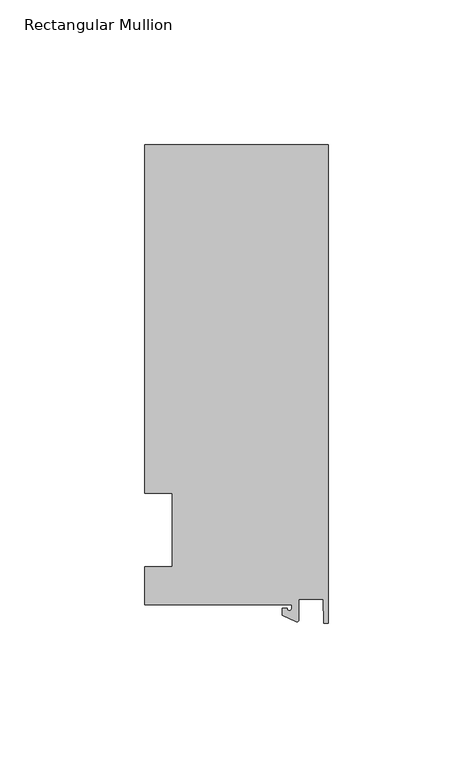
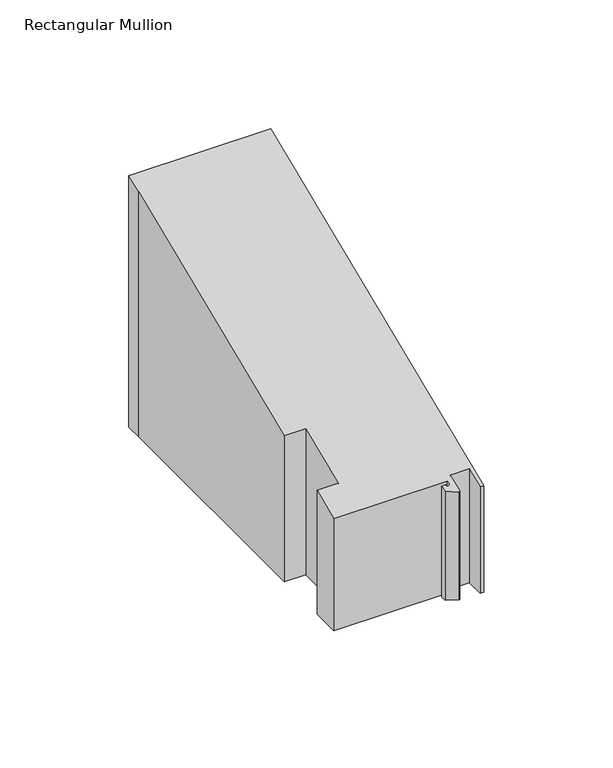
"""IFC4 building model written with IfcOpenShell, lengths in millimetres: member geometry, Rectangular Mullion."""

import ifcopenshell
import ifcopenshell.guid

model = None  # the IFC model being written
_history = None  # IfcOwnerHistory: only IFC2X3 demands one
_inside = {}  # id of a spatial element -> (the spatial element, [elements in it])
_under = {}  # id of a project, library or spatial element -> (it, [spatial elements below it])
_declared = {}  # id of a project -> (the project, [libraries it declares])
_typed = {}  # id of a type object -> (the type object, [elements of that type])
_made_of = {}  # id of a material, layer set ... -> (it, [elements and type objects made of it])


def new_model(schema):
    """Start an empty IFC model of exactly this schema.

    Asked for "IFC4X3", IfcOpenShell would pick the latest addendum, in which some entities
    have other attributes; the version numbers below select the first issue.
    IFC2X3 requires an IfcOwnerHistory on every rooted entity: one is made here for all.
    """
    global model, _history
    if schema == "IFC4X3":
        model = ifcopenshell.file(schema_version=(4, 3, 0, 0))
    else:
        model = ifcopenshell.file(schema=schema)
    _inside.clear()
    _under.clear()
    _declared.clear()
    _typed.clear()
    _made_of.clear()
    _history = None
    if model.schema == "IFC2X3":
        org = make("IfcOrganization", Name="unknown")
        user = make(
            "IfcPersonAndOrganization",
            ThePerson=make("IfcPerson", FamilyName="unknown"),
            TheOrganization=org,
        )
        app = make(
            "IfcApplication",
            ApplicationDeveloper=org,
            Version="unknown",
            ApplicationFullName="unknown",
            ApplicationIdentifier="unknown",
        )
        _history = make(
            "IfcOwnerHistory",
            OwningUser=user,
            OwningApplication=app,
            ChangeAction="ADDED",
            CreationDate=0,
        )
    return model


def make(cls, **values):
    """One entity of the class cls with the attributes given. An attribute that is None is left unset."""
    return model.create_entity(
        cls, **{name: value for name, value in values.items() if value is not None}
    )


def rooted(cls, **values):
    """An entity with a GlobalId (a new one), such as an element, a storey or a relation."""
    return make(cls, GlobalId=ifcopenshell.guid.new(), OwnerHistory=_history, **values)


def si_unit(unit_type, name, prefix=None):
    """IfcSIUnit, for example si_unit("LENGTHUNIT", "METRE", prefix="MILLI")."""
    return make("IfcSIUnit", UnitType=unit_type, Prefix=prefix, Name=name)


def assignment(units):
    """IfcUnitAssignment: the units of a project."""
    return None if units is None else make("IfcUnitAssignment", Units=units)


def point(xyz):
    """IfcCartesianPoint."""
    return None if xyz is None else make("IfcCartesianPoint", Coordinates=xyz)


def direction(xyz):
    """IfcDirection."""
    return None if xyz is None else make("IfcDirection", DirectionRatios=xyz)


def frame(location, z_axis=None, x_axis=None):
    """IfcAxis2Placement3D, a coordinate frame: its origin and axes. An axis left out is left unset."""
    return make(
        "IfcAxis2Placement3D",
        Location=point(location),
        Axis=direction(z_axis),
        RefDirection=direction(x_axis),
    )


def origin():
    """The frame at (0, 0, 0) with its axes left unset."""
    return frame((0.0, 0.0, 0.0))


def place(relative_to, where):
    """IfcLocalPlacement: puts the frame where relative to a parent placement (None: the world)."""
    return make(
        "IfcLocalPlacement", PlacementRelTo=relative_to, RelativePlacement=where
    )


def context(
    kind, dimensions, precision=None, world=None, true_north=None, identifier=None
):
    """IfcGeometricRepresentationContext, for example the 3D "Model" context."""
    return make(
        "IfcGeometricRepresentationContext",
        ContextIdentifier=identifier,
        ContextType=kind,
        CoordinateSpaceDimension=dimensions,
        Precision=precision,
        WorldCoordinateSystem=world,
        TrueNorth=true_north,
    )


def project(units=None, contexts=None):
    """IfcProject with its units and contexts."""
    return rooted(
        "IfcProject",
        Name="project",
        RepresentationContexts=contexts,
        UnitsInContext=assignment(units),
    )


def spatial(cls, under=None, at=None, **own):
    """A site, building, storey or space (cls), placed at a placement, below another one or the project."""
    s = rooted(cls, ObjectPlacement=at, **own)
    if under is not None:
        _under.setdefault(under.id(), (under, []))[1].append(s)
    return s


def polyline(points):
    """IfcPolyline through the points."""
    return make("IfcPolyline", Points=[point(p) for p in points])


def circle_curve(where, radius):
    """IfcCircle in the frame where."""
    return make("IfcCircle", Position=where, Radius=radius)


def ellipse_curve(where, semi_axis1, semi_axis2):
    """IfcEllipse in the frame where."""
    return make(
        "IfcEllipse", Position=where, SemiAxis1=semi_axis1, SemiAxis2=semi_axis2
    )


def shape(context_of_items, identifier, shape_type, items):
    """IfcShapeRepresentation: the items that make up one representation, for example the "Body"."""
    return make(
        "IfcShapeRepresentation",
        ContextOfItems=context_of_items,
        RepresentationIdentifier=identifier,
        RepresentationType=shape_type,
        Items=items,
    )


def source(mapping_origin, context_of_items, identifier, shape_type, items):
    """IfcRepresentationMap: a shape defined once, which mapped items show again and again."""
    return make(
        "IfcRepresentationMap",
        MappingOrigin=mapping_origin,
        MappedRepresentation=shape(context_of_items, identifier, shape_type, items),
    )


def transform(
    local_origin,
    x_axis=None,
    y_axis=None,
    z_axis=None,
    scale=None,
    scale2=None,
    scale3=None,
    uniform=True,
):
    """IfcCartesianTransformationOperator3D, or its non-uniform kind. x_axis, y_axis, z_axis: its Axis1, 2, 3."""
    if uniform:
        return make(
            "IfcCartesianTransformationOperator3D",
            Axis1=direction(x_axis),
            Axis2=direction(y_axis),
            LocalOrigin=point(local_origin),
            Scale=scale,
            Axis3=direction(z_axis),
        )
    return make(
        "IfcCartesianTransformationOperator3DnonUniform",
        Axis1=direction(x_axis),
        Axis2=direction(y_axis),
        LocalOrigin=point(local_origin),
        Scale=scale,
        Axis3=direction(z_axis),
        Scale2=scale2,
        Scale3=scale3,
    )


def mapped(mapping_source, mapping_target):
    """IfcMappedItem: shows the shape of a source again, moved by a transform."""
    return make(
        "IfcMappedItem", MappingSource=mapping_source, MappingTarget=mapping_target
    )


def made_of(thing, what):
    """Note that an element or type object is made of a material, layer set ...; save() writes the relation."""
    if what is not None:
        _made_of.setdefault(what.id(), (what, []))[1].append(thing)
    return thing


def element(
    cls,
    number,
    at=None,
    inside=None,
    cuts=None,
    type_object=None,
    material=None,
    context=None,
    identifier="Body",
    shape_type=None,
    held_by="IfcProductDefinitionShape",
    body=None,
    shapes=None,
    **own,
):
    """One element of the class cls, such as IfcWall. Its Tag is "e" and its number.

    at: its placement. inside: the storey or other place that contains it. cuts: it is an
    opening in that element (IfcRelVoidsElement). A single representation is given by context,
    identifier, shape_type and body (its items); several are given by shapes. held_by: the class
    of the entity that holds the representations. save() writes the other relations.
    """
    e = rooted(cls, Tag="e%d" % number, ObjectPlacement=at, **own)
    if body is not None:
        shapes = [shape(context, identifier, shape_type, body)]
    if shapes is not None:
        e.Representation = make(held_by, Representations=shapes)
    if inside is not None:
        _inside.setdefault(inside.id(), (inside, []))[1].append(e)
    if cuts is not None:
        rooted(
            "IfcRelVoidsElement", RelatingBuildingElement=cuts, RelatedOpeningElement=e
        )
    if type_object is not None:
        _typed.setdefault(type_object.id(), (type_object, []))[1].append(e)
    return made_of(e, material)


def aggregate(whole, parts):
    """IfcRelAggregates: a whole, such as a stair, and the parts it consists of."""
    return rooted("IfcRelAggregates", RelatingObject=whole, RelatedObjects=parts)


def save(model, path):
    """Write the relations noted so far, then the file.

    IfcRelAggregates (storeys below a building ...), IfcRelContainedInSpatialStructure (elements
    in a storey), IfcRelDefinesByType, IfcRelAssociatesMaterial and IfcRelDeclares: one each for
    every whole, place, type object, material and project.
    """
    for whole, parts in _under.values():
        aggregate(whole, parts)
    for where, things in _inside.values():
        rooted(
            "IfcRelContainedInSpatialStructure",
            RelatedElements=things,
            RelatingStructure=where,
        )
    for kind, things in _typed.values():
        rooted("IfcRelDefinesByType", RelatedObjects=things, RelatingType=kind)
    for what, things in _made_of.values():
        rooted("IfcRelAssociatesMaterial", RelatedObjects=things, RelatingMaterial=what)
    for by, libraries in _declared.values():
        rooted("IfcRelDeclares", RelatingContext=by, RelatedDefinitions=libraries)
    model.write(path)


def plane_surface(at):
    """IfcPlane: the flat surface through the origin of the frame at, square to its z axis."""
    return make("IfcPlane", Position=at)


def cylinder_surface(at, radius):
    """IfcCylindricalSurface: all points at the distance radius from the z axis of the frame at."""
    return make("IfcCylindricalSurface", Position=at, Radius=radius)


def revolved_surface(curve, axis_point, axis_direction):
    """IfcSurfaceOfRevolution: the curve turned about the line through axis_point along axis_direction."""
    return make(
        "IfcSurfaceOfRevolution",
        SweptCurve=make("IfcArbitraryOpenProfileDef", ProfileType="CURVE", Curve=curve),
        AxisPosition=make("IfcAxis1Placement", Location=point(axis_point), Axis=direction(axis_direction)),
    )


def advanced_brep(points, edges, surfaces, faces):
    """IfcAdvancedBrep: a solid bounded by faces that lie on surfaces and meet in shared edges.

    An edge is (start, end): straight between two places in points (the first is 0);
    or (start, end, curve); or (start, end, curve, False) where it runs against its curve.
    A face is (place in surfaces, loops), or (place, loops, False) where it looks against
    its surface's normal. A loop lists edges by number (the first is 1), with a minus sign
    where the edge is run from its end to its start. The first loop is the outer one.
    """
    corners = [point(p) for p in points]
    vertices = [make("IfcVertexPoint", VertexGeometry=c) for c in corners]
    made = []
    for start, end, *more in edges:
        made.append(
            make(
                "IfcEdgeCurve",
                EdgeStart=vertices[start],
                EdgeEnd=vertices[end],
                EdgeGeometry=more[0] if more else make("IfcPolyline", Points=[corners[start], corners[end]]),
                SameSense=more[1] if len(more) > 1 else True,
            )
        )
    hull = []
    for where, loops, *sense in faces:
        bounds = []
        for j, loop in enumerate(loops):
            ring = [make("IfcOrientedEdge", EdgeElement=made[abs(k) - 1], Orientation=k > 0) for k in loop]
            bounds.append(
                make(
                    "IfcFaceOuterBound" if j == 0 else "IfcFaceBound",
                    Bound=make("IfcEdgeLoop", EdgeList=ring),
                    Orientation=True,
                )
            )
        hull.append(make("IfcAdvancedFace", Bounds=bounds, FaceSurface=surfaces[where], SameSense=sense[0] if sense else True))
    return make("IfcAdvancedBrep", Outer=make("IfcClosedShell", CfsFaces=hull))


def rectangular_mullion_aa9a93bd(model_context):
    return source(origin(), model_context, "Body", "AdvancedBrep", [
        advanced_brep(
        [(-12.6173814, -25.796875, -63.8608936), (-63.5, -25.796875, -63.8608936), (-63.5, -12.7, -63.8608936), (-53.975, -12.7, -63.8608936), (-53.975, 12.7, -63.8608936), (-63.5, 12.7, -63.8608936), (-63.5, 125.8114907, -63.8608936), (-63.5, 133.34365, -63.8608936), (0.0, 133.34365, -63.8608936), (0.0, -32.288874, -63.8608936), (-1.5658966, -32.288874, -63.8608936), (-1.7144124, -23.9227662, -63.8608936), (-10.2297814, -23.9227662, -63.8608936), (-10.2297814, -31.2414327, -63.8608936), (-10.9524715, -31.7018371, -63.8608936), (-15.7923814, -29.44495, -63.8608936), (-15.7923814, -27.0827507, -63.8608936), (-14.2048814, -27.0827507, -63.8608936), (-12.6173814, -27.0827507, -63.8608936), (-12.6173814, -27.0827507, -11.2180426), (-12.6173814, -25.796875, -10.6854155), (-14.2048814, -27.0827507, -11.2180426), (-15.7923814, -27.0827507, -11.2180426), (-15.7923814, -29.44495, -12.1964976), (-10.9524715, -31.7018371, -13.1313309), (-10.2297814, -31.2414327, -12.9406251), (-10.2297814, -23.9227662, -9.9091342), (-1.7144124, -23.9227662, -9.9091342), (-1.5658966, -32.288874, -13.3744895), (0.0, -32.288874, -13.3744895), (0.0, 133.34365, 55.2327483), (-63.5, 133.34365, 55.2327483), (-63.5, 12.7, 5.2605122), (-63.5, 125.8114907, 52.1128257), (-53.975, 12.7, 5.2605122), (-53.975, -12.7, -5.2605122), (-63.5, -12.7, -5.2605122), (-63.5, -25.796875, -10.6854155)],
        [
            (0, 1),
            (1, 2),
            (2, 3),
            (3, 4),
            (4, 5),
            (5, 6),
            (6, 7),
            (7, 8),
            (8, 9),
            (9, 10),
            (10, 11),
            (11, 12),
            (12, 13),
            (13, 14, circle_curve(frame((-10.7377814, -31.2414327, -63.8608936), z_axis=(0.0, 0.0, -1.0), x_axis=(-1.0, 0.0, 0.0)), 0.508)),
            (14, 15),
            (15, 16),
            (16, 17),
            (17, 18, circle_curve(frame((-13.4111314, -27.0827507, -63.8608936), z_axis=(0.0, 0.0, 1.0), x_axis=(-1.0, 0.0, 0.0)), 0.79375)),
            (18, 0),
            (19, 20),
            (20, 0),
            (18, 19),
            (21, 19, ellipse_curve(frame((-13.4111314, -27.0827507, -11.2180426), z_axis=(0.0, -0.3826834323650925, 0.9238795325112856), x_axis=(0.0, -0.9238795325112857, -0.38268343236509245)), 0.8591488, 0.79375)),
            (17, 21),
            (22, 21),
            (16, 22),
            (23, 22),
            (15, 23),
            (24, 23),
            (14, 24),
            (25, 24, ellipse_curve(frame((-10.7377814, -31.2414327, -12.9406251), z_axis=(0.0, 0.3826834323650925, -0.9238795325112856), x_axis=(0.0, 0.9238795325112857, 0.38268343236509245)), 0.5498552, 0.508)),
            (13, 25),
            (26, 25),
            (12, 26),
            (27, 26),
            (11, 27),
            (28, 27),
            (10, 28),
            (29, 28),
            (9, 29),
            (30, 29),
            (8, 30),
            (31, 30),
            (7, 31),
            (32, 33),
            (33, 6),
            (5, 32),
            (34, 32),
            (4, 34),
            (35, 34),
            (3, 35),
            (36, 35),
            (2, 36),
            (37, 36),
            (1, 37),
            (20, 37),
            (31, 33),
        ],
        [
            plane_surface(frame((0.0, -147.6914994, -63.8608936), z_axis=(0.0, 0.0, -1.0), x_axis=(-1.0, 0.0, 0.0))),
            plane_surface(frame((-12.6173814, -25.796875, 0.0), z_axis=(-1.0, 0.0, 0.0), x_axis=(0.0, 0.0, -1.0))),
            revolved_surface(polyline([(-14.2048814, -27.0827507, -63.8608936), (-14.2048814, -27.0827507, -10.88926058830365)]), (-13.4111314, -27.0827507, 0.0), (0.0, 0.0, -1.0)),
            plane_surface(frame((-14.2048814, -27.0827507, 0.0), z_axis=(0.0, 1.0, 0.0), x_axis=(0.0, 0.0, -1.0))),
            plane_surface(frame((-15.7923814, -27.0827507, 0.0), z_axis=(-1.0, 0.0, 0.0), x_axis=(0.0, 0.0, -1.0))),
            plane_surface(frame((-15.7923814, -29.44495, 0.0), z_axis=(-0.4226182617406985, -0.9063077870366505, 0.0), x_axis=(0.0, 0.0, -1.0))),
            cylinder_surface(frame((-10.7377814, -31.2414327, 0.0), z_axis=(0.0, 0.0, 1.0), x_axis=(-1.0, 0.0, 0.0)), 0.508),
            plane_surface(frame((-10.2297814, -31.2414327, 0.0), z_axis=(1.0, 0.0, 0.0), x_axis=(0.0, 0.0, -1.0))),
            plane_surface(frame((-10.2297814, -23.9227662, 0.0), z_axis=(0.0, -1.0, 0.0), x_axis=(0.0, 0.0, -1.0))),
            plane_surface(frame((-1.7144124, -23.9227662, 0.0), z_axis=(-0.9998424690407919, -0.017749284560600327, 0.0), x_axis=(0.0, 0.0, -1.0))),
            plane_surface(frame((-1.5658966, -32.288874, 0.0), z_axis=(0.0, -1.0, 0.0), x_axis=(0.0, 0.0, -1.0))),
            plane_surface(frame((0.0, -32.288874, 0.0), z_axis=(1.0, 0.0, 0.0), x_axis=(0.0, 0.0, -1.0))),
            plane_surface(frame((0.0, 133.34365, 0.0), z_axis=(0.0, 1.0, 0.0), x_axis=(0.0, 0.0, -1.0))),
            plane_surface(frame((-63.5, 125.8114907, 0.0), z_axis=(-1.0, 0.0, 0.0), x_axis=(0.0, 0.0, -1.0))),
            plane_surface(frame((-63.5, 12.7, 0.0), z_axis=(0.0, -1.0, 0.0), x_axis=(0.0, 0.0, -1.0))),
            plane_surface(frame((-53.975, 12.7, 0.0), z_axis=(-1.0, 0.0, 0.0), x_axis=(0.0, 0.0, -1.0))),
            plane_surface(frame((-53.975, -12.7, 0.0), z_axis=(0.0, 1.0, 0.0), x_axis=(0.0, 0.0, -1.0))),
            plane_surface(frame((-63.5, -12.7, 0.0), z_axis=(-1.0, 0.0, 0.0), x_axis=(0.0, 0.0, -1.0))),
            plane_surface(frame((-63.5, -25.796875, 0.0), z_axis=(0.0, -1.0, 0.0), x_axis=(0.0, 0.0, -1.0))),
            plane_surface(frame((304.8, 0.0, 0.0), z_axis=(0.0, -0.3826834323650925, 0.9238795325112856), x_axis=(0.0, -0.9238795325112856, -0.3826834323650925))),
            plane_surface(frame((-63.5, 133.34365, 0.0), z_axis=(-1.0, 0.0, 0.0), x_axis=(0.0, 0.0, -1.0))),
        ],
        [
            (0, [[1, 2, 3, 4, 5, 6, 7, 8, 9, 10, 11, 12, 13, 14, 15, 16, 17, 18, 19]]),
            (1, [[20, 21, -19, 22]]),
            (2, [[23, -22, -18, 24]]),
            (3, [[25, -24, -17, 26]]),
            (4, [[27, -26, -16, 28]]),
            (5, [[29, -28, -15, 30]]),
            (6, [[31, -30, -14, 32]]),
            (7, [[33, -32, -13, 34]]),
            (8, [[35, -34, -12, 36]]),
            (9, [[37, -36, -11, 38]]),
            (10, [[39, -38, -10, 40]]),
            (11, [[41, -40, -9, 42]]),
            (12, [[43, -42, -8, 44]]),
            (13, [[45, 46, -6, 47]]),
            (14, [[48, -47, -5, 49]]),
            (15, [[50, -49, -4, 51]]),
            (16, [[52, -51, -3, 53]]),
            (17, [[54, -53, -2, 55]]),
            (18, [[56, -55, -1, -21]]),
            (19, [[-20, -23, -25, -27, -29, -31, -33, -35, -37, -39, -41, -43, 57, -45, -48, -50, -52, -54, -56]]),
            (20, [[-57, -44, -7, -46]]),
        ],
    ),
    ])


if __name__ == "__main__":
    model = new_model("IFC4")
    model_context = context("Model", 3, world=origin())
    ifc_project = project(units=[si_unit("LENGTHUNIT", "METRE", prefix="MILLI")], contexts=[model_context])
    site = spatial("IfcSite", under=ifc_project)
    building = spatial("IfcBuilding", under=site)
    placement = place(None, origin())
    rectangular_mullion_shape = rectangular_mullion_aa9a93bd(model_context)
    element("IfcMember", 1, ObjectType="Rectangular Mullion", at=placement, inside=building, context=model_context, shape_type="MappedRepresentation", body=[
        mapped(rectangular_mullion_shape, transform((0.0, 0.0, 0.0), x_axis=(1.0, 0.0, 0.0), y_axis=(0.0, 1.0, 0.0), z_axis=(0.0, 0.0, 1.0))),
    ])
    save(model, "model.ifc")
